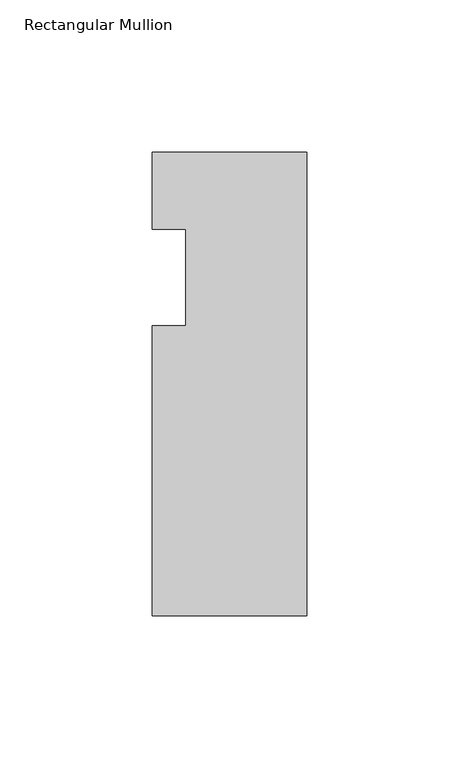
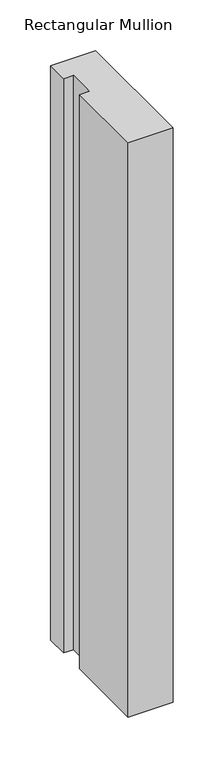
"""IFC4 building model written with IfcOpenShell, lengths in millimetres: member geometry, Rectangular Mullion."""

from ifc_helpers import new_model, si_unit, frame, origin, place, context, project, spatial, polyline, outline, extrude, source, transform, mapped, element, save


def rectangular_mullion_2fed4434(model_context):
    return source(origin(), model_context, "Body", "SweptSolid", [
        extrude(outline(polyline([(0.0, 6.35), (0.0, -146.05), (-50.8, -146.05), (-50.8, -50.8000003), (-39.798625, -50.8000003), (-39.798625, -19.05), (-50.8, -19.05), (-50.8, 6.35), (0.0, 6.35)])), frame((0.0, 0.0, -688.975), z_axis=(0.0, 0.0, 1.0), x_axis=(1.0, 0.0, 0.0)), (0.0, 0.0, 1.0), 688.975),
    ])


if __name__ == "__main__":
    model = new_model("IFC4")
    model_context = context("Model", 3, world=origin())
    ifc_project = project(units=[si_unit("LENGTHUNIT", "METRE", prefix="MILLI")], contexts=[model_context])
    site = spatial("IfcSite", under=ifc_project)
    building = spatial("IfcBuilding", under=site)
    placement = place(None, origin())
    rectangular_mullion_shape = rectangular_mullion_2fed4434(model_context)
    element("IfcMember", 1, ObjectType="Rectangular Mullion", at=placement, inside=building, context=model_context, shape_type="MappedRepresentation", body=[
        mapped(rectangular_mullion_shape, transform((0.0, 0.0, 0.0), x_axis=(1.0, 0.0, 0.0), y_axis=(0.0, 1.0, 0.0), z_axis=(0.0, 0.0, 1.0))),
    ])
    save(model, "model.ifc")
